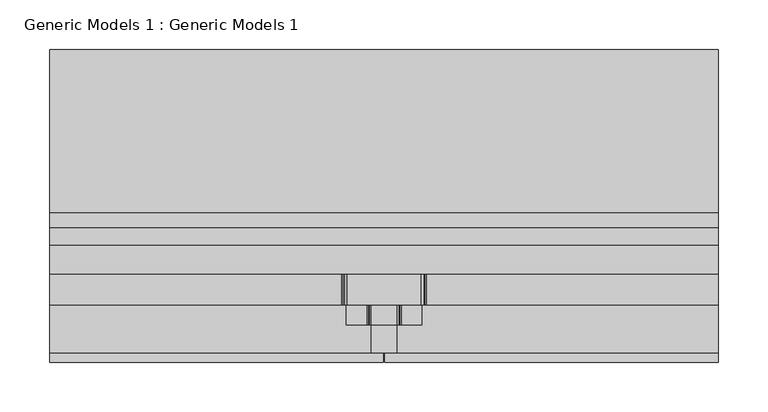
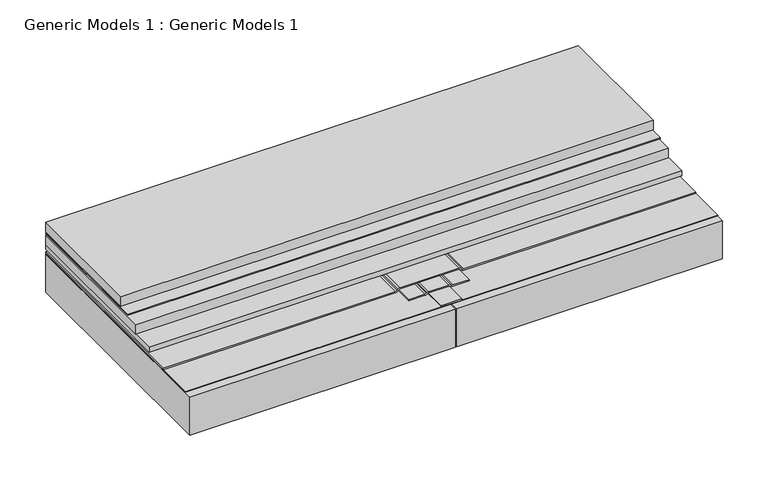
"""IFC4 building model written with IfcOpenShell, lengths in millimetres: proxy geometry, Generic Models 1 : Generic Models 1."""

import ifcopenshell
import ifcopenshell.guid

model = None  # the IFC model being written
_history = None  # IfcOwnerHistory: only IFC2X3 demands one
_inside = {}  # id of a spatial element -> (the spatial element, [elements in it])
_under = {}  # id of a project, library or spatial element -> (it, [spatial elements below it])
_declared = {}  # id of a project -> (the project, [libraries it declares])
_typed = {}  # id of a type object -> (the type object, [elements of that type])
_made_of = {}  # id of a material, layer set ... -> (it, [elements and type objects made of it])


def new_model(schema):
    """Start an empty IFC model of exactly this schema.

    Asked for "IFC4X3", IfcOpenShell would pick the latest addendum, in which some entities
    have other attributes; the version numbers below select the first issue.
    IFC2X3 requires an IfcOwnerHistory on every rooted entity: one is made here for all.
    """
    global model, _history
    if schema == "IFC4X3":
        model = ifcopenshell.file(schema_version=(4, 3, 0, 0))
    else:
        model = ifcopenshell.file(schema=schema)
    _inside.clear()
    _under.clear()
    _declared.clear()
    _typed.clear()
    _made_of.clear()
    _history = None
    if model.schema == "IFC2X3":
        org = make("IfcOrganization", Name="unknown")
        user = make(
            "IfcPersonAndOrganization",
            ThePerson=make("IfcPerson", FamilyName="unknown"),
            TheOrganization=org,
        )
        app = make(
            "IfcApplication",
            ApplicationDeveloper=org,
            Version="unknown",
            ApplicationFullName="unknown",
            ApplicationIdentifier="unknown",
        )
        _history = make(
            "IfcOwnerHistory",
            OwningUser=user,
            OwningApplication=app,
            ChangeAction="ADDED",
            CreationDate=0,
        )
    return model


def make(cls, **values):
    """One entity of the class cls with the attributes given. An attribute that is None is left unset."""
    return model.create_entity(
        cls, **{name: value for name, value in values.items() if value is not None}
    )


def rooted(cls, **values):
    """An entity with a GlobalId (a new one), such as an element, a storey or a relation."""
    return make(cls, GlobalId=ifcopenshell.guid.new(), OwnerHistory=_history, **values)


def si_unit(unit_type, name, prefix=None):
    """IfcSIUnit, for example si_unit("LENGTHUNIT", "METRE", prefix="MILLI")."""
    return make("IfcSIUnit", UnitType=unit_type, Prefix=prefix, Name=name)


def assignment(units):
    """IfcUnitAssignment: the units of a project."""
    return None if units is None else make("IfcUnitAssignment", Units=units)


def point(xyz):
    """IfcCartesianPoint."""
    return None if xyz is None else make("IfcCartesianPoint", Coordinates=xyz)


def direction(xyz):
    """IfcDirection."""
    return None if xyz is None else make("IfcDirection", DirectionRatios=xyz)


def frame(location, z_axis=None, x_axis=None):
    """IfcAxis2Placement3D, a coordinate frame: its origin and axes. An axis left out is left unset."""
    return make(
        "IfcAxis2Placement3D",
        Location=point(location),
        Axis=direction(z_axis),
        RefDirection=direction(x_axis),
    )


def frame_2d(location, x_axis=None):
    """IfcAxis2Placement2D, a coordinate frame in the plane: its origin and x axis."""
    return make(
        "IfcAxis2Placement2D", Location=point(location), RefDirection=direction(x_axis)
    )


def origin():
    """The frame at (0, 0, 0) with its axes left unset."""
    return frame((0.0, 0.0, 0.0))


def place(relative_to, where):
    """IfcLocalPlacement: puts the frame where relative to a parent placement (None: the world)."""
    return make(
        "IfcLocalPlacement", PlacementRelTo=relative_to, RelativePlacement=where
    )


def context(
    kind, dimensions, precision=None, world=None, true_north=None, identifier=None
):
    """IfcGeometricRepresentationContext, for example the 3D "Model" context."""
    return make(
        "IfcGeometricRepresentationContext",
        ContextIdentifier=identifier,
        ContextType=kind,
        CoordinateSpaceDimension=dimensions,
        Precision=precision,
        WorldCoordinateSystem=world,
        TrueNorth=true_north,
    )


def project(units=None, contexts=None):
    """IfcProject with its units and contexts."""
    return rooted(
        "IfcProject",
        Name="project",
        RepresentationContexts=contexts,
        UnitsInContext=assignment(units),
    )


def spatial(cls, under=None, at=None, **own):
    """A site, building, storey or space (cls), placed at a placement, below another one or the project."""
    s = rooted(cls, ObjectPlacement=at, **own)
    if under is not None:
        _under.setdefault(under.id(), (under, []))[1].append(s)
    return s


def polyline(points):
    """IfcPolyline through the points."""
    return make("IfcPolyline", Points=[point(p) for p in points])


def circle_curve(where, radius):
    """IfcCircle in the frame where."""
    return make("IfcCircle", Position=where, Radius=radius)


def trimmed(basis, trim1, trim2, sense, master):
    """IfcTrimmedCurve: the piece of a basis curve between two trims."""
    return make(
        "IfcTrimmedCurve",
        BasisCurve=basis,
        Trim1=trim1,
        Trim2=trim2,
        SenseAgreement=sense,
        MasterRepresentation=master,
    )


def segment(curve, same_sense, transition):
    """IfcCompositeCurveSegment."""
    return make(
        "IfcCompositeCurveSegment",
        Transition=transition,
        SameSense=same_sense,
        ParentCurve=curve,
    )


def composite_curve(segments, self_intersect=None):
    """IfcCompositeCurve: segments joined end to end."""
    return make("IfcCompositeCurve", Segments=segments, SelfIntersect=self_intersect)


def outline(outer, holes=None, kind="AREA"):
    """IfcArbitraryClosedProfileDef: a profile drawn as a closed curve; with holes, ...WithVoids."""
    if holes is None:
        return make("IfcArbitraryClosedProfileDef", ProfileType=kind, OuterCurve=outer)
    return make(
        "IfcArbitraryProfileDefWithVoids",
        ProfileType=kind,
        OuterCurve=outer,
        InnerCurves=holes,
    )


def extrude(swept, where, along, depth):
    """IfcExtrudedAreaSolid: the profile swept, set in the frame where, extruded along a direction by depth."""
    return make(
        "IfcExtrudedAreaSolid",
        SweptArea=swept,
        Position=where,
        ExtrudedDirection=direction(along),
        Depth=depth,
    )


def shape(context_of_items, identifier, shape_type, items):
    """IfcShapeRepresentation: the items that make up one representation, for example the "Body"."""
    return make(
        "IfcShapeRepresentation",
        ContextOfItems=context_of_items,
        RepresentationIdentifier=identifier,
        RepresentationType=shape_type,
        Items=items,
    )


def source(mapping_origin, context_of_items, identifier, shape_type, items):
    """IfcRepresentationMap: a shape defined once, which mapped items show again and again."""
    return make(
        "IfcRepresentationMap",
        MappingOrigin=mapping_origin,
        MappedRepresentation=shape(context_of_items, identifier, shape_type, items),
    )


def transform(
    local_origin,
    x_axis=None,
    y_axis=None,
    z_axis=None,
    scale=None,
    scale2=None,
    scale3=None,
    uniform=True,
):
    """IfcCartesianTransformationOperator3D, or its non-uniform kind. x_axis, y_axis, z_axis: its Axis1, 2, 3."""
    if uniform:
        return make(
            "IfcCartesianTransformationOperator3D",
            Axis1=direction(x_axis),
            Axis2=direction(y_axis),
            LocalOrigin=point(local_origin),
            Scale=scale,
            Axis3=direction(z_axis),
        )
    return make(
        "IfcCartesianTransformationOperator3DnonUniform",
        Axis1=direction(x_axis),
        Axis2=direction(y_axis),
        LocalOrigin=point(local_origin),
        Scale=scale,
        Axis3=direction(z_axis),
        Scale2=scale2,
        Scale3=scale3,
    )


def mapped(mapping_source, mapping_target):
    """IfcMappedItem: shows the shape of a source again, moved by a transform."""
    return make(
        "IfcMappedItem", MappingSource=mapping_source, MappingTarget=mapping_target
    )


def made_of(thing, what):
    """Note that an element or type object is made of a material, layer set ...; save() writes the relation."""
    if what is not None:
        _made_of.setdefault(what.id(), (what, []))[1].append(thing)
    return thing


def element(
    cls,
    number,
    at=None,
    inside=None,
    cuts=None,
    type_object=None,
    material=None,
    context=None,
    identifier="Body",
    shape_type=None,
    held_by="IfcProductDefinitionShape",
    body=None,
    shapes=None,
    **own,
):
    """One element of the class cls, such as IfcWall. Its Tag is "e" and its number.

    at: its placement. inside: the storey or other place that contains it. cuts: it is an
    opening in that element (IfcRelVoidsElement). A single representation is given by context,
    identifier, shape_type and body (its items); several are given by shapes. held_by: the class
    of the entity that holds the representations. save() writes the other relations.
    """
    e = rooted(cls, Tag="e%d" % number, ObjectPlacement=at, **own)
    if body is not None:
        shapes = [shape(context, identifier, shape_type, body)]
    if shapes is not None:
        e.Representation = make(held_by, Representations=shapes)
    if inside is not None:
        _inside.setdefault(inside.id(), (inside, []))[1].append(e)
    if cuts is not None:
        rooted(
            "IfcRelVoidsElement", RelatingBuildingElement=cuts, RelatedOpeningElement=e
        )
    if type_object is not None:
        _typed.setdefault(type_object.id(), (type_object, []))[1].append(e)
    return made_of(e, material)


def aggregate(whole, parts):
    """IfcRelAggregates: a whole, such as a stair, and the parts it consists of."""
    return rooted("IfcRelAggregates", RelatingObject=whole, RelatedObjects=parts)


def save(model, path):
    """Write the relations noted so far, then the file.

    IfcRelAggregates (storeys below a building ...), IfcRelContainedInSpatialStructure (elements
    in a storey), IfcRelDefinesByType, IfcRelAssociatesMaterial and IfcRelDeclares: one each for
    every whole, place, type object, material and project.
    """
    for whole, parts in _under.values():
        aggregate(whole, parts)
    for where, things in _inside.values():
        rooted(
            "IfcRelContainedInSpatialStructure",
            RelatedElements=things,
            RelatingStructure=where,
        )
    for kind, things in _typed.values():
        rooted("IfcRelDefinesByType", RelatedObjects=things, RelatingType=kind)
    for what, things in _made_of.values():
        rooted("IfcRelAssociatesMaterial", RelatedObjects=things, RelatingMaterial=what)
    for by, libraries in _declared.values():
        rooted("IfcRelDeclares", RelatingContext=by, RelatedDefinitions=libraries)
    model.write(path)


def generic_models_1_generic_models_1_c3238566(model_context):
    return source(origin(), model_context, "Body", "SweptSolid", [
        extrude(outline(polyline([(387.35, 138.3999345), (-285.75, 138.3999345), (-285.75, 317.5), (387.35, 317.5), (387.35, 138.3999345)])), frame((0.0, 0.0, 215.10625), z_axis=(0.0, 0.0, 1.0), x_axis=(1.0, 0.0, 0.0)), (0.0, 0.0, 1.0), 1.5875),
        extrude(outline(polyline([(387.35, 153.4347083), (-285.75, 153.4347083), (-285.75, 317.5), (387.35, 317.5), (387.35, 153.4347083)])), frame((0.0, 0.0, 218.28125), z_axis=(0.0, 0.0, 1.0), x_axis=(1.0, 0.0, 0.0)), (0.0, 0.0, 1.0), 12.7),
        extrude(outline(polyline([(387.35, 120.6167229), (-285.75, 120.6167229), (-285.75, 317.5), (387.35, 317.5), (387.35, 120.6167229)])), frame((0.0, 0.0, 200.81875), z_axis=(0.0, 0.0, 1.0), x_axis=(1.0, 0.0, 0.0)), (0.0, 0.0, 1.0), 12.7),
        extrude(outline(polyline([(387.35, 91.2346919), (-285.75, 91.2346919), (-285.75, 317.5), (387.35, 317.5), (387.35, 91.2346919)])), frame((0.0, 0.0, 194.46875), z_axis=(0.0, 0.0, 1.0), x_axis=(1.0, 0.0, 0.0)), (0.0, 0.0, 1.0), 6.35),
        extrude(outline(composite_curve([segment(polyline([(192.88125, 63.4926207), (192.88125, 38.1073793)]), True, "CONTINUOUS"), segment(trimmed(circle_curve(frame_2d((188.11875, 38.1073793)), 4.7625), [point((192.88125, 38.1073793))], [point((192.243196, 35.7261293))], False, "CARTESIAN"), True, "CONTINUOUS"), segment(polyline([(192.243196, 35.7261293), (191.7191193, 34.8184019)]), True, "CONTINUOUS"), segment(trimmed(circle_curve(frame_2d((194.46875, 33.2309019)), 3.175), [point((191.7191193, 34.8184019))], [point((191.29375, 33.2309019))], True, "CARTESIAN"), True, "CONTINUOUS"), segment(polyline([(191.29375, 33.2309019), (191.29375, 12.7), (189.70625, 12.7), (189.70625, 33.2309019)]), True, "CONTINUOUS"), segment(trimmed(circle_curve(frame_2d((194.46875, 33.2309019)), 4.7625), [point((189.70625, 33.2309019))], [point((190.344304, 35.6121519))], False, "CARTESIAN"), True, "CONTINUOUS"), segment(polyline([(190.344304, 35.6121519), (190.8683807, 36.5198793)]), True, "CONTINUOUS"), segment(trimmed(circle_curve(frame_2d((188.11875, 38.1073793)), 3.175), [point((190.8683807, 36.5198793))], [point((191.29375, 38.1073793))], True, "CARTESIAN"), True, "CONTINUOUS"), segment(polyline([(191.29375, 38.1073793), (191.29375, 63.4926207)]), True, "CONTINUOUS"), segment(trimmed(circle_curve(frame_2d((188.11875, 63.4926207)), 3.175), [point((191.29375, 63.4926207))], [point((190.8683807, 65.0801207))], True, "CARTESIAN"), True, "CONTINUOUS"), segment(polyline([(190.8683807, 65.0801207), (190.344304, 65.9878481)]), True, "CONTINUOUS"), segment(trimmed(circle_curve(frame_2d((194.46875, 68.3690981)), 4.7625), [point((190.344304, 65.9878481))], [point((189.70625, 68.3690981))], False, "CARTESIAN"), True, "CONTINUOUS"), segment(polyline([(189.70625, 68.3690981), (189.70625, 88.9), (191.29375, 88.9), (191.29375, 68.3690981)]), True, "CONTINUOUS"), segment(trimmed(circle_curve(frame_2d((194.46875, 68.3690981)), 3.175), [point((191.29375, 68.3690981))], [point((191.7191193, 66.7815981))], True, "CARTESIAN"), True, "CONTINUOUS"), segment(polyline([(191.7191193, 66.7815981), (192.243196, 65.8738707)]), True, "CONTINUOUS"), segment(trimmed(circle_curve(frame_2d((188.11875, 63.4926207)), 4.7625), [point((192.243196, 65.8738707))], [point((192.88125, 63.4926207))], False, "CARTESIAN"), True, "CONTINUOUS")], self_intersect=False)), frame((0.0, 39.8845984, 0.0), z_axis=(0.0, 1.0, 0.0), x_axis=(0.0, 0.0, 1.0)), (0.0, 0.0, 1.0), 277.6154016),
        extrude(outline(polyline([(38.1, 317.5), (63.5, 317.5), (63.5, 12.1207667), (38.1, 12.1207667), (38.1, 317.5)])), frame((0.0, 0.0, 189.70625), z_axis=(0.0, 0.0, 1.0), x_axis=(1.0, 0.0, 0.0)), (0.0, 0.0, 1.0), 1.5875),
        extrude(outline(composite_curve([segment(trimmed(circle_curve(frame_2d((194.46875, 7.5523079)), 4.7625), [point((189.70625, 7.5523079))], [point((191.101154, 10.919904))], False, "CARTESIAN"), True, "CONTINUOUS"), segment(polyline([(191.101154, 10.919904), (191.951314, 11.770064)]), True, "CONTINUOUS"), segment(trimmed(circle_curve(frame_2d((189.70625, 14.0151281)), 3.175), [point((191.951314, 11.770064))], [point((192.88125, 14.0151281))], True, "CARTESIAN"), True, "CONTINUOUS"), segment(polyline([(192.88125, 14.0151281), (192.88125, 87.5848719)]), True, "CONTINUOUS"), segment(trimmed(circle_curve(frame_2d((189.70625, 87.5848719)), 3.175), [point((192.88125, 87.5848719))], [point((191.951314, 89.829936))], True, "CARTESIAN"), True, "CONTINUOUS"), segment(polyline([(191.951314, 89.829936), (191.101154, 90.680096)]), True, "CONTINUOUS"), segment(trimmed(circle_curve(frame_2d((194.46875, 94.0476921)), 4.7625), [point((191.101154, 90.680096))], [point((189.70625, 94.0476921))], False, "CARTESIAN"), True, "CONTINUOUS"), segment(polyline([(189.70625, 94.0476921), (189.70625, 387.35), (191.29375, 387.35), (191.29375, 94.0476921)]), True, "CONTINUOUS"), segment(trimmed(circle_curve(frame_2d((194.46875, 94.0476921)), 3.175), [point((191.29375, 94.0476921))], [point((192.223686, 91.8026281))], True, "CARTESIAN"), True, "CONTINUOUS"), segment(polyline([(192.223686, 91.8026281), (193.073846, 90.952468)]), True, "CONTINUOUS"), segment(trimmed(circle_curve(frame_2d((189.70625, 87.5848719)), 4.7625), [point((193.073846, 90.952468))], [point((194.46875, 87.5848719))], False, "CARTESIAN"), True, "CONTINUOUS"), segment(polyline([(194.46875, 87.5848719), (194.46875, 14.0151281)]), True, "CONTINUOUS"), segment(trimmed(circle_curve(frame_2d((189.70625, 14.0151281)), 4.7625), [point((194.46875, 14.0151281))], [point((193.073846, 10.647532))], False, "CARTESIAN"), True, "CONTINUOUS"), segment(polyline([(193.073846, 10.647532), (192.223686, 9.7973719)]), True, "CONTINUOUS"), segment(trimmed(circle_curve(frame_2d((194.46875, 7.5523079)), 3.175), [point((192.223686, 9.7973719))], [point((191.29375, 7.5523079))], True, "CARTESIAN"), True, "CONTINUOUS"), segment(polyline([(191.29375, 7.5523079), (191.29375, -285.75), (189.70625, -285.75), (189.70625, 7.5523079)]), True, "CONTINUOUS")], self_intersect=False)), frame((0.0, 60.368829, 0.0), z_axis=(0.0, 1.0, 0.0), x_axis=(0.0, 0.0, 1.0)), (0.0, 0.0, 1.0), 257.131171),
        extrude(outline(polyline([(50.00625, 2.38125), (-285.75, 2.38125), (-285.75, 317.5), (50.00625, 317.5), (50.00625, 2.38125)])), frame((0.0, 0.0, 137.31875), z_axis=(0.0, 0.0, 1.0), x_axis=(1.0, 0.0, 0.0)), (0.0, 0.0, 1.0), 50.8),
        extrude(outline(polyline([(387.35, 12.1207667), (-285.75, 12.1207667), (-285.75, 317.5), (387.35, 317.5), (387.35, 12.1207667)])), frame((0.0, 0.0, 188.9125), z_axis=(0.0, 0.0, 1.0), x_axis=(1.0, 0.0, 0.0)), (0.0, 0.0, 1.0), 0.79375),
        extrude(outline(polyline([(387.35, 2.38125), (51.59375, 2.38125), (51.59375, 317.5), (387.35, 317.5), (387.35, 2.38125)])), frame((0.0, 0.0, 137.31875), z_axis=(0.0, 0.0, 1.0), x_axis=(1.0, 0.0, 0.0)), (0.0, 0.0, 1.0), 50.8),
    ])


if __name__ == "__main__":
    model = new_model("IFC4")
    model_context = context("Model", 3, world=origin())
    ifc_project = project(units=[si_unit("LENGTHUNIT", "METRE", prefix="MILLI")], contexts=[model_context])
    site = spatial("IfcSite", under=ifc_project)
    building = spatial("IfcBuilding", under=site)
    placement = place(None, origin())
    generic_models_1_generic_models_1_shape = generic_models_1_generic_models_1_c3238566(model_context)
    element("IfcBuildingElementProxy", 1, Name="Generic Models 1 : Generic Models 1", ObjectType="Generic Models 1 : Generic Models 1", at=placement, inside=building, context=model_context, shape_type="MappedRepresentation", body=[
        mapped(generic_models_1_generic_models_1_shape, transform((0.0, 0.0, 0.0), x_axis=(1.0, 0.0, 0.0), y_axis=(0.0, 1.0, 0.0), z_axis=(0.0, 0.0, 1.0))),
    ])
    save(model, "model.ifc")
